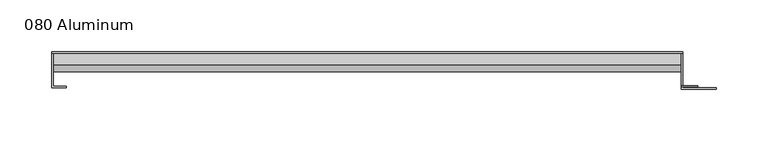
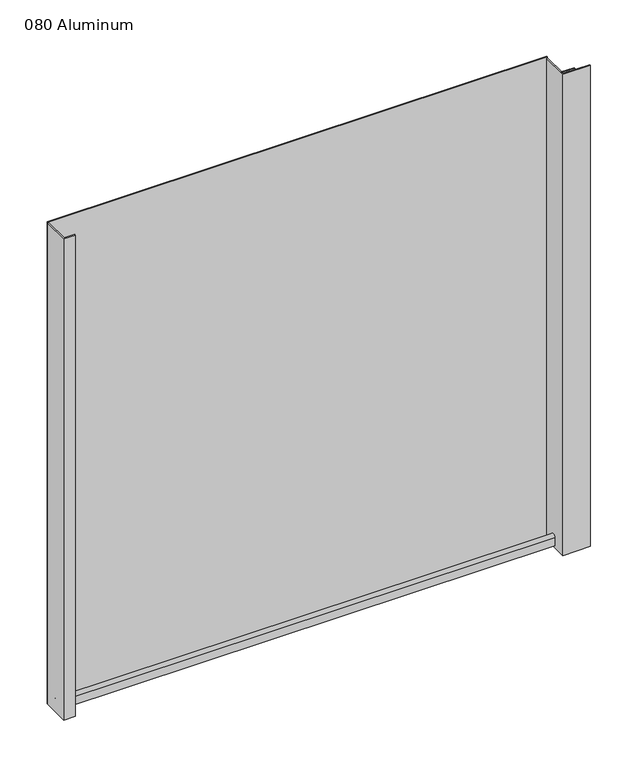
"""IFC4 building model written with IfcOpenShell, lengths in millimetres: plate geometry, 080 Aluminum."""

from ifc_helpers import new_model, si_unit, point, frame, frame_2d, origin, origin_with_axes, place, context, project, spatial, polyline, circle_curve, trimmed, segment, composite_curve, outline, extrude, source, transform, mapped, element, save


def plate_080_aluminum_da97460b(model_context):
    return source(origin(), model_context, "Body", "SweptSolid", [
        extrude(outline(polyline([(-309.88, 2.5660257), (-296.9894994, 2.5660257), (-296.9894994, 1.2699999), (-311.1499999, 1.2699999), (-311.1499999, 34.7980001), (-309.88, 34.7980001), (-309.88, 2.5660257)])), origin_with_axes(), (0.0, 0.0, 1.0), 621.03),
        extrude(outline(composite_curve([segment(trimmed(circle_curve(frame_2d((19.8514743, 13.124237)), 3.175), [point((16.6765477, 13.1458337))], [point((23.0264743, 13.124237))], False, "CARTESIAN"), True, "CONTINUOUS"), segment(polyline([(23.0264743, 13.124237), (23.0264743, 1.2693678), (34.7980002, 1.2693678), (34.7980002, 0.0), (21.7564743, 0.0), (21.7564743, 13.124237)]), True, "CONTINUOUS"), segment(trimmed(circle_curve(frame_2d((19.8514743, 13.124237)), 1.905), [point((21.7564743, 13.124237))], [point((17.9464915, 13.1323356))], True, "CARTESIAN"), True, "CONTINUOUS"), segment(polyline([(17.9464915, 13.1323356), (17.9464915, 2.786437), (16.6765477, 2.786437), (16.6765477, 13.1458337)]), True, "CONTINUOUS")], self_intersect=False)), frame((-309.88, 0.0, 0.0), z_axis=(1.0, 0.0, 0.0), x_axis=(0.0, 1.0, 0.0)), (0.0, 0.0, 1.0), 607.06),
        extrude(outline(polyline([(-311.15, 36.068), (298.45, 36.068), (298.45, 34.7980001), (-311.15, 34.7980001), (-311.15, 36.068)])), origin_with_axes(), (0.0, 0.0, 1.0), 622.3),
        extrude(outline(polyline([(298.45, 1.2699999), (330.9620856, 1.2699999), (330.9620856, 0.0), (297.1800001, 0.0), (297.1800001, 34.7980002), (298.45, 34.7980002), (298.45, 1.2699999)])), origin_with_axes(), (0.0, 0.0, 1.0), 621.03),
        extrude(outline(polyline([(297.18, 3.3274743), (312.9279999, 3.3274743), (312.9279999, 2.0574743), (297.18, 2.0574743), (297.18, 3.3274743)])), origin_with_axes(), (0.0, 0.0, 1.0), 622.3),
    ])


if __name__ == "__main__":
    model = new_model("IFC4")
    model_context = context("Model", 3, world=origin())
    ifc_project = project(units=[si_unit("LENGTHUNIT", "METRE", prefix="MILLI")], contexts=[model_context])
    site = spatial("IfcSite", under=ifc_project)
    building = spatial("IfcBuilding", under=site)
    placement = place(None, origin())
    plate_080_aluminum_shape = plate_080_aluminum_da97460b(model_context)
    element("IfcPlate", 1, ObjectType="080 Aluminum", at=placement, inside=building, context=model_context, shape_type="MappedRepresentation", body=[
        mapped(plate_080_aluminum_shape, transform((0.0, 0.0, 0.0), x_axis=(1.0, 0.0, 0.0), y_axis=(0.0, 1.0, 0.0), z_axis=(0.0, 0.0, 1.0))),
    ])
    save(model, "model.ifc")
